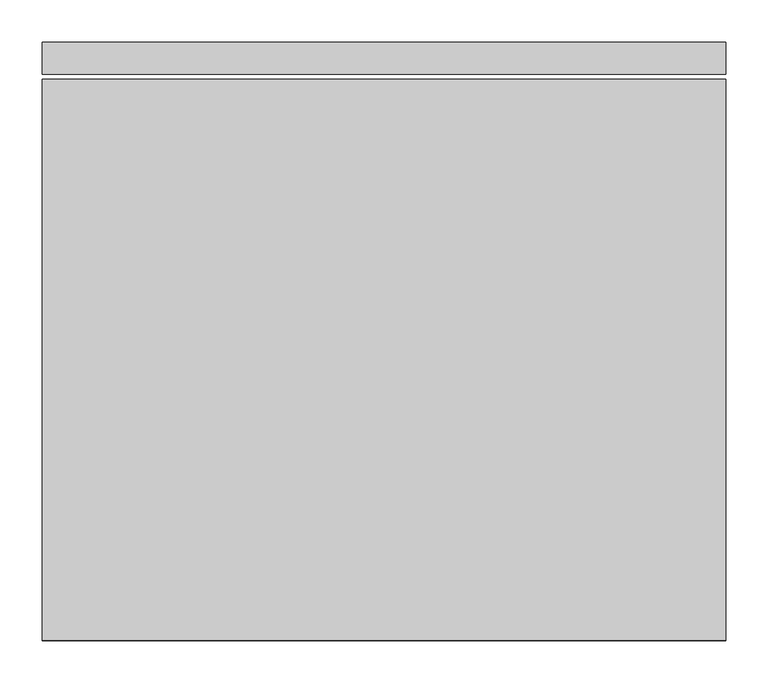
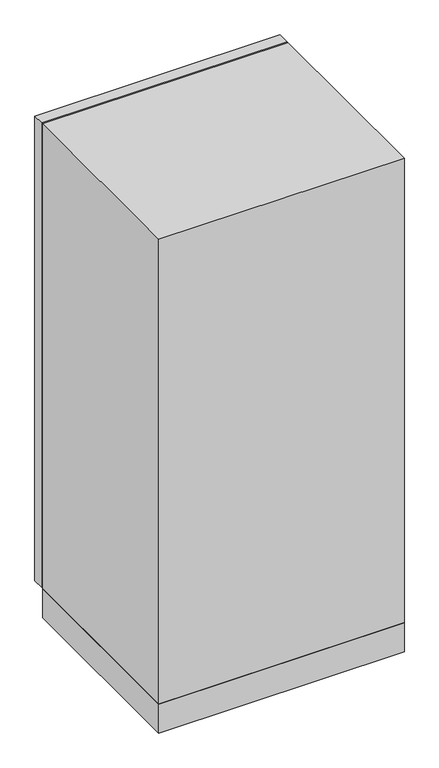
"""IFC4 building model written with IfcOpenShell, lengths in millimetres: proxy geometry."""

from ifc_helpers import new_model, si_unit, frame, origin, origin_with_axes, place, context, project, spatial, polyline, outline, extrude, source, transform, mapped, element, save


def specialty_equipment_8741bbdf(model_context):
    return source(origin(), model_context, "Body", "SweptSolid", [
        extrude(outline(polyline([(406.4, -711.2), (-406.4, -711.2), (-406.4, -44.45), (406.4, -44.45), (406.4, -711.2)])), origin_with_axes(), (0.0, 0.0, 1.0), 101.6),
        extrude(outline(polyline([(406.4, -38.1), (-406.4, -38.1), (-406.4, 0.0), (406.4, 0.0), (406.4, -38.1)])), frame((0.0, 0.0, 101.6), z_axis=(0.0, 0.0, 1.0), x_axis=(1.0, 0.0, 0.0)), (0.0, 0.0, 1.0), 1625.6),
        extrude(outline(polyline([(406.4, -711.2), (-406.4, -711.2), (-406.4, -44.45), (406.4, -44.45), (406.4, -711.2)])), frame((0.0, 0.0, 101.6), z_axis=(0.0, 0.0, 1.0), x_axis=(1.0, 0.0, 0.0)), (0.0, 0.0, 1.0), 1625.6),
    ])


if __name__ == "__main__":
    model = new_model("IFC4")
    model_context = context("Model", 3, world=origin())
    ifc_project = project(units=[si_unit("LENGTHUNIT", "METRE", prefix="MILLI")], contexts=[model_context])
    site = spatial("IfcSite", under=ifc_project)
    building = spatial("IfcBuilding", under=site)
    placement = place(None, origin())
    specialty_equipment_shape = specialty_equipment_8741bbdf(model_context)
    element("IfcBuildingElementProxy", 1, Name="Specialty Equipment", at=placement, inside=building, context=model_context, shape_type="MappedRepresentation", body=[
        mapped(specialty_equipment_shape, transform((0.0, 0.0, 0.0), x_axis=(1.0, 0.0, 0.0), y_axis=(0.0, 1.0, 0.0), z_axis=(0.0, 0.0, 1.0))),
    ])
    save(model, "model.ifc")
